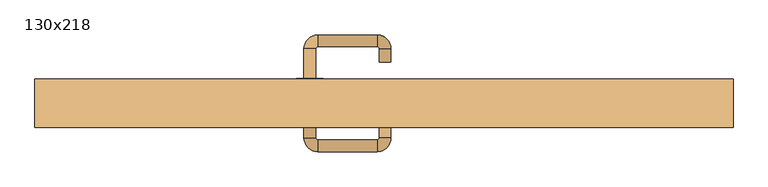
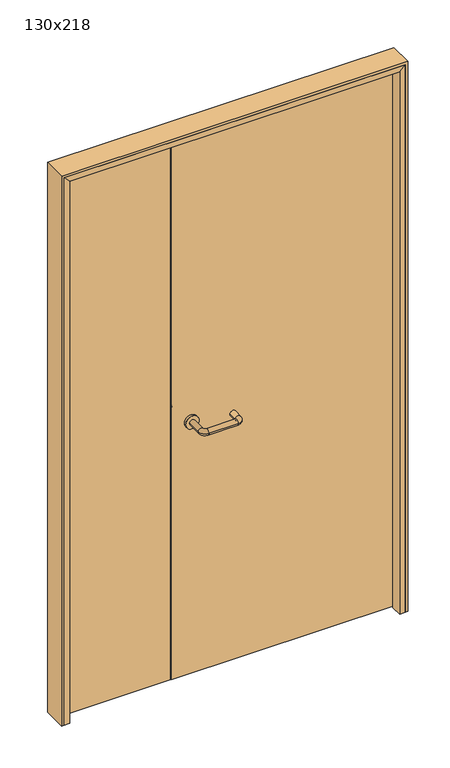
"""IFC4 building model written with IfcOpenShell, lengths in millimetres: door geometry, 130x218."""

from ifc_helpers import new_model, si_unit, point, frame, frame_2d, origin, place, context, project, spatial, polyline, circle_curve, ellipse_curve, trimmed, segment, composite_curve, outline, extrude, faceted_brep, source, transform, mapped, element, save
from ifc_brep_helpers import plane_surface, cylinder_surface, revolved_surface, advanced_brep


def door_130x218_b983cd8b(model_context):
    return source(origin(), model_context, "Body", "SolidModel", [
        faceted_brep([(619.0, 275.0, 0.0), (619.0, 318.0, 0.0), (640.0, 318.0, 0.0), (640.0, 275.0, 0.0), (619.0, 275.0, 2149.0), (619.0, 318.0, 2149.0), (640.0, 318.0, 2170.0), (640.0, 275.0, 2170.0), (-619.0, 275.0, 0.0), (-640.0, 275.0, 0.0), (-640.0, 318.0, 0.0), (-619.0, 318.0, 0.0), (-619.0, 275.0, 2149.0), (-640.0, 275.0, 2170.0), (-640.0, 318.0, 2170.0), (-619.0, 318.0, 2149.0)], [[[0, 1, 2, 3]], [[1, 0, 4, 5]], [[2, 1, 5, 6]], [[3, 2, 6, 7]], [[0, 3, 7, 4]], [[8, 9, 10, 11]], [[12, 13, 9, 8]], [[13, 14, 10, 9]], [[14, 15, 11, 10]], [[15, 12, 8, 11]], [[5, 4, 12, 15]], [[6, 5, 15, 14]], [[7, 6, 14, 13]], [[4, 7, 13, 12]]]),
        extrude(outline(polyline([(2180.0, -650.0), (0.0, -650.0), (0.0, -640.0), (2170.0, -640.0), (2170.0, 640.0), (0.0, 640.0), (0.0, 650.0), (2180.0, 650.0), (2180.0, -650.0)])), frame((0.0, 275.0, 0.0), z_axis=(0.0, 1.0, 0.0), x_axis=(0.0, 0.0, 1.0)), (0.0, 0.0, 1.0), 90.0),
        advanced_brep(
        [(-149.0, 310.8874183, 1003.0), (-127.0, 310.8874183, 1003.0), (-127.0, 256.0031939, 1003.0), (-149.0, 256.0031939, 1003.0), (-123.0, 230.0031939, 1003.0), (-123.0, 252.0031939, 1003.0), (-13.0, 252.0031939, 1003.0), (-13.0, 230.0031939, 1003.0), (13.0, 256.0031939, 1003.0), (-9.0, 256.0031939, 1003.0), (-9.0, 290.0, 1003.0), (13.0, 290.0, 1003.0)],
        [
            (0, 1, circle_curve(frame((-138.0, 310.8874183, 1003.0), z_axis=(0.0, 1.0, 0.0), x_axis=(1.0, 0.0, 0.0)), 11.0)),
            (1, 0, circle_curve(frame((-138.0, 310.8874183, 1003.0), z_axis=(0.0, 1.0, 0.0), x_axis=(1.0, 0.0, 0.0)), 11.0)),
            (1, 2),
            (2, 3, circle_curve(frame((-138.0, 256.0031939, 1003.0), z_axis=(0.0, 1.0, 0.0), x_axis=(1.0, 0.0, 0.0)), 11.0)),
            (3, 0),
            (4, 3, circle_curve(frame((-123.0, 256.0031939, 1003.0), z_axis=(0.0, 0.0, -1.0), x_axis=(-1.0, 0.0, 0.0)), 26.0)),
            (2, 5, circle_curve(frame((-123.0, 256.0031939, 1003.0), z_axis=(0.0, 0.0, 1.0), x_axis=(-1.0, 0.0, 0.0)), 4.0)),
            (5, 4, circle_curve(frame((-123.0, 241.0031939, 1003.0), z_axis=(-1.0, 0.0, 0.0), x_axis=(0.0, 1.0, 0.0)), 11.0)),
            (5, 6),
            (6, 7, circle_curve(frame((-13.0, 241.0031939, 1003.0), z_axis=(-1.0, 0.0, 0.0), x_axis=(0.0, 1.0, 0.0)), 11.0)),
            (7, 4),
            (8, 7, circle_curve(frame((-13.0, 256.0031939, 1003.0), z_axis=(0.0, 0.0, -1.0), x_axis=(0.0, -1.0, 0.0)), 26.0)),
            (6, 9, circle_curve(frame((-13.0, 256.0031939, 1003.0), z_axis=(0.0, 0.0, 1.0), x_axis=(0.0, -1.0, 0.0)), 4.0)),
            (9, 8, circle_curve(frame((2.0, 256.0031939, 1003.0), z_axis=(0.0, -1.0, 0.0), x_axis=(-1.0, 0.0, 0.0)), 11.0)),
            (9, 10),
            (10, 11, circle_curve(frame((2.0, 290.0, 1003.0), z_axis=(0.0, -1.0, 0.0), x_axis=(-1.0, 0.0, 0.0)), 11.0)),
            (11, 8),
            (10, 11, circle_curve(frame((2.0, 290.0, 1003.0), z_axis=(0.0, 1.0, 0.0), x_axis=(-1.0, 0.0, 0.0)), 11.0)),
            (3, 2, circle_curve(frame((-138.0, 256.0031939, 1003.0), z_axis=(0.0, 1.0, 0.0), x_axis=(1.0, 0.0, 0.0)), 11.0)),
            (4, 5, circle_curve(frame((-123.0, 241.0031939, 1003.0), z_axis=(-1.0, 0.0, 0.0), x_axis=(0.0, 1.0, 0.0)), 11.0)),
            (7, 6, circle_curve(frame((-13.0, 241.0031939, 1003.0), z_axis=(-1.0, 0.0, 0.0), x_axis=(0.0, 1.0, 0.0)), 11.0)),
            (8, 9, circle_curve(frame((2.0, 256.0031939, 1003.0), z_axis=(0.0, -1.0, 0.0), x_axis=(-1.0, 0.0, 0.0)), 11.0)),
        ],
        [
            plane_surface(frame((-149.0, 310.8874183, 1003.0), z_axis=(0.0, 1.0, 0.0), x_axis=(0.0, 0.0, -1.0))),
            cylinder_surface(frame((-138.0, 310.8874183, 1003.0), z_axis=(0.0, 1.0, 0.0), x_axis=(1.0, 0.0, 0.0)), 11.0),
            revolved_surface(trimmed(ellipse_curve(frame((-138.0, 256.0031939, 1003.0), z_axis=(0.0, 1.0, 0.0), x_axis=(1.0, 0.0, 0.0)), 11.0, 11.0), [point((-127.0, 256.0031939, 1003.0))], [point((-149.0, 256.0031939, 1003.0))], True, "CARTESIAN"), (-123.0, 256.0031939, 1003.0), (0.0, 0.0, 1.0)),
            cylinder_surface(frame((-123.0, 241.0031939, 1003.0), z_axis=(-1.0, 0.0, 0.0), x_axis=(0.0, 1.0, 0.0)), 11.0),
            revolved_surface(trimmed(ellipse_curve(frame((-13.0, 241.0031939, 1003.0), z_axis=(-1.0, 0.0, 0.0), x_axis=(0.0, 1.0, 0.0)), 11.0, 11.0), [point((-13.0, 252.0031939, 1003.0))], [point((-13.0, 230.0031939, 1003.0))], True, "CARTESIAN"), (-13.0, 256.0031939, 1003.0), (0.0, 0.0, 1.0)),
            cylinder_surface(frame((2.0, 256.0031939, 1003.0), z_axis=(0.0, -1.0, 0.0), x_axis=(-1.0, 0.0, 0.0)), 11.0),
            plane_surface(frame((-9.0, 290.0, 1003.0), z_axis=(0.0, 1.0, 0.0), x_axis=(0.0, 0.0, 1.0))),
            revolved_surface(trimmed(ellipse_curve(frame((-138.0, 256.0031939, 1003.0), z_axis=(0.0, 1.0, 0.0), x_axis=(1.0, 0.0, 0.0)), 11.0, 11.0), [point((-149.0, 256.0031939, 1003.0))], [point((-127.0, 256.0031939, 1003.0))], True, "CARTESIAN"), (-123.0, 256.0031939, 1003.0), (0.0, 0.0, 1.0)),
            revolved_surface(trimmed(ellipse_curve(frame((-13.0, 241.0031939, 1003.0), z_axis=(-1.0, 0.0, 0.0), x_axis=(0.0, 1.0, 0.0)), 11.0, 11.0), [point((-13.0, 230.0031939, 1003.0))], [point((-13.0, 252.0031939, 1003.0))], True, "CARTESIAN"), (-13.0, 256.0031939, 1003.0), (0.0, 0.0, 1.0)),
        ],
        [
            (0, [[1, 2]]),
            (1, [[-2, 3, 4, 5]]),
            (2, [[6, -4, 7, 8]]),
            (3, [[-8, 9, 10, 11]]),
            (4, [[12, -10, 13, 14]]),
            (5, [[-14, 15, 16, 17]]),
            (6, [[-16, 18]]),
            (1, [[-1, -5, 19, -3]]),
            (7, [[-7, -19, -6, 20]]),
            (3, [[-20, -11, 21, -9]]),
            (8, [[-13, -21, -12, 22]]),
            (5, [[-22, -17, -18, -15]]),
        ],
    ),
        extrude(outline(polyline([(-214.99898, 321.0), (-637.0, 321.0), (-637.0, 365.0), (-214.99898, 365.0), (-214.99898, 321.0)])), frame((0.0, 0.0, 3.0), z_axis=(0.0, 0.0, 1.0), x_axis=(1.0, 0.0, 0.0)), (0.0, 0.0, 1.0), 2164.0),
        extrude(outline(polyline([(637.0, 321.0), (-213.0, 321.0), (-213.0, 365.0), (637.0, 365.0), (637.0, 321.0)])), frame((0.0, 0.0, 3.0), z_axis=(0.0, 0.0, 1.0), x_axis=(1.0, 0.0, 0.0)), (0.0, 0.0, 1.0), 2164.0),
        extrude(outline(composite_curve([segment(trimmed(circle_curve(frame_2d((1003.0, -138.0)), 25.0), [point((1003.0, -163.0))], [point((1003.0, -113.0))], False, "CARTESIAN"), True, "CONTINUOUS"), segment(trimmed(circle_curve(frame_2d((1003.0, -138.0)), 25.0), [point((1003.0, -113.0))], [point((1003.0, -163.0))], False, "CARTESIAN"), True, "CONTINUOUS")], self_intersect=False)), frame((0.0, 310.8874183, 0.0), z_axis=(0.0, 1.0, 0.0), x_axis=(0.0, 0.0, 1.0)), (0.0, 0.0, 1.0), 10.1125817),
        advanced_brep(
        [(-127.0, 367.0, 1003.0), (-149.0, 367.0, 1003.0), (-149.0, 422.0, 1003.0), (-127.0, 422.0, 1003.0), (-123.0, 426.0, 1003.0), (-123.0, 448.0, 1003.0), (-13.0, 448.0, 1003.0), (-13.0, 426.0, 1003.0), (-9.0, 422.0, 1003.0), (13.0, 422.0, 1003.0), (13.0, 397.0, 1003.0), (-9.0, 397.0, 1003.0)],
        [
            (0, 1, circle_curve(frame((-138.0, 367.0, 1003.0), z_axis=(0.0, -1.0, 0.0), x_axis=(-1.0, 0.0, 0.0)), 11.0)),
            (1, 0, circle_curve(frame((-138.0, 367.0, 1003.0), z_axis=(0.0, -1.0, 0.0), x_axis=(-1.0, 0.0, 0.0)), 11.0)),
            (1, 2),
            (2, 3, circle_curve(frame((-138.0, 422.0, 1003.0), z_axis=(0.0, -1.0, 0.0), x_axis=(-1.0, 0.0, 0.0)), 11.0)),
            (3, 0),
            (4, 3, circle_curve(frame((-123.0, 422.0, 1003.0), z_axis=(0.0, 0.0, 1.0), x_axis=(-1.0, 0.0, 0.0)), 4.0)),
            (2, 5, circle_curve(frame((-123.0, 422.0, 1003.0), z_axis=(0.0, 0.0, -1.0), x_axis=(-1.0, 0.0, 0.0)), 26.0)),
            (5, 4, circle_curve(frame((-123.0, 437.0, 1003.0), z_axis=(-1.0, 0.0, 0.0), x_axis=(0.0, 1.0, 0.0)), 11.0)),
            (5, 6),
            (6, 7, circle_curve(frame((-13.0, 437.0, 1003.0), z_axis=(-1.0, 0.0, 0.0), x_axis=(0.0, 1.0, 0.0)), 11.0)),
            (7, 4),
            (8, 7, circle_curve(frame((-13.0, 422.0, 1003.0), z_axis=(0.0, 0.0, 1.0), x_axis=(0.0, 1.0, 0.0)), 4.0)),
            (6, 9, circle_curve(frame((-13.0, 422.0, 1003.0), z_axis=(0.0, 0.0, -1.0), x_axis=(0.0, 1.0, 0.0)), 26.0)),
            (9, 8, circle_curve(frame((2.0, 422.0, 1003.0), z_axis=(0.0, 1.0, 0.0), x_axis=(1.0, 0.0, 0.0)), 11.0)),
            (9, 10),
            (10, 11, circle_curve(frame((2.0, 397.0, 1003.0), z_axis=(0.0, 1.0, 0.0), x_axis=(1.0, 0.0, 0.0)), 11.0)),
            (11, 8),
            (10, 11, circle_curve(frame((2.0, 397.0, 1003.0), z_axis=(0.0, -1.0, 0.0), x_axis=(1.0, 0.0, 0.0)), 11.0)),
            (3, 2, circle_curve(frame((-138.0, 422.0, 1003.0), z_axis=(0.0, -1.0, 0.0), x_axis=(-1.0, 0.0, 0.0)), 11.0)),
            (4, 5, circle_curve(frame((-123.0, 437.0, 1003.0), z_axis=(-1.0, 0.0, 0.0), x_axis=(0.0, 1.0, 0.0)), 11.0)),
            (7, 6, circle_curve(frame((-13.0, 437.0, 1003.0), z_axis=(-1.0, 0.0, 0.0), x_axis=(0.0, 1.0, 0.0)), 11.0)),
            (8, 9, circle_curve(frame((2.0, 422.0, 1003.0), z_axis=(0.0, 1.0, 0.0), x_axis=(1.0, 0.0, 0.0)), 11.0)),
        ],
        [
            plane_surface(frame((-149.0, 367.0, 1003.0), z_axis=(0.0, -1.0, 0.0), x_axis=(0.0, 0.0, 1.0))),
            cylinder_surface(frame((-138.0, 367.0, 1003.0), z_axis=(0.0, -1.0, 0.0), x_axis=(-1.0, 0.0, 0.0)), 11.0),
            revolved_surface(trimmed(ellipse_curve(frame((-138.0, 422.0, 1003.0), z_axis=(0.0, -1.0, 0.0), x_axis=(-1.0, 0.0, 0.0)), 11.0, 11.0), [point((-149.0, 422.0, 1003.0))], [point((-127.0, 422.0, 1003.0))], True, "CARTESIAN"), (-123.0, 422.0, 1003.0), (0.0, 0.0, -1.0)),
            cylinder_surface(frame((-123.0, 437.0, 1003.0), z_axis=(-1.0, 0.0, 0.0), x_axis=(0.0, 1.0, 0.0)), 11.0),
            revolved_surface(trimmed(ellipse_curve(frame((-13.0, 437.0, 1003.0), z_axis=(-1.0, 0.0, 0.0), x_axis=(0.0, 1.0, 0.0)), 11.0, 11.0), [point((-13.0, 448.0, 1003.0))], [point((-13.0, 426.0, 1003.0))], True, "CARTESIAN"), (-13.0, 422.0, 1003.0), (0.0, 0.0, -1.0)),
            cylinder_surface(frame((2.0, 422.0, 1003.0), z_axis=(0.0, 1.0, 0.0), x_axis=(1.0, 0.0, 0.0)), 11.0),
            plane_surface(frame((-9.0, 397.0, 1003.0), z_axis=(0.0, -1.0, 0.0), x_axis=(0.0, 0.0, -1.0))),
            revolved_surface(trimmed(ellipse_curve(frame((-138.0, 422.0, 1003.0), z_axis=(0.0, -1.0, 0.0), x_axis=(-1.0, 0.0, 0.0)), 11.0, 11.0), [point((-127.0, 422.0, 1003.0))], [point((-149.0, 422.0, 1003.0))], True, "CARTESIAN"), (-123.0, 422.0, 1003.0), (0.0, 0.0, -1.0)),
            revolved_surface(trimmed(ellipse_curve(frame((-13.0, 437.0, 1003.0), z_axis=(-1.0, 0.0, 0.0), x_axis=(0.0, 1.0, 0.0)), 11.0, 11.0), [point((-13.0, 426.0, 1003.0))], [point((-13.0, 448.0, 1003.0))], True, "CARTESIAN"), (-13.0, 422.0, 1003.0), (0.0, 0.0, -1.0)),
        ],
        [
            (0, [[1, 2]]),
            (1, [[-2, 3, 4, 5]]),
            (2, [[6, -4, 7, 8]]),
            (3, [[-8, 9, 10, 11]]),
            (4, [[12, -10, 13, 14]]),
            (5, [[-14, 15, 16, 17]]),
            (6, [[-16, 18]]),
            (1, [[-1, -5, 19, -3]]),
            (7, [[-7, -19, -6, 20]]),
            (3, [[-20, -11, 21, -9]]),
            (8, [[-13, -21, -12, 22]]),
            (5, [[-22, -17, -18, -15]]),
        ],
    ),
        extrude(outline(composite_curve([segment(trimmed(circle_curve(frame_2d((1003.0, -138.0)), 25.0), [point((1003.0, -113.0))], [point((1003.0, -163.0))], False, "CARTESIAN"), True, "CONTINUOUS"), segment(trimmed(circle_curve(frame_2d((1003.0, -138.0)), 25.0), [point((1003.0, -163.0))], [point((1003.0, -113.0))], False, "CARTESIAN"), True, "CONTINUOUS")], self_intersect=False)), frame((0.0, 365.0, 0.0), z_axis=(0.0, 1.0, 0.0), x_axis=(0.0, 0.0, 1.0)), (0.0, 0.0, 1.0), 2.0),
    ])


if __name__ == "__main__":
    model = new_model("IFC4")
    model_context = context("Model", 3, world=origin())
    ifc_project = project(units=[si_unit("LENGTHUNIT", "METRE", prefix="MILLI")], contexts=[model_context])
    site = spatial("IfcSite", under=ifc_project)
    building = spatial("IfcBuilding", under=site)
    placement = place(None, origin())
    door_130x218_shape = door_130x218_b983cd8b(model_context)
    element("IfcDoor", 1, ObjectType="130x218", at=placement, inside=building, context=model_context, shape_type="MappedRepresentation", body=[
        mapped(door_130x218_shape, transform((0.0, 0.0, 0.0), x_axis=(1.0, 0.0, 0.0), y_axis=(0.0, 1.0, 0.0), z_axis=(0.0, 0.0, 1.0))),
    ])
    save(model, "model.ifc")
